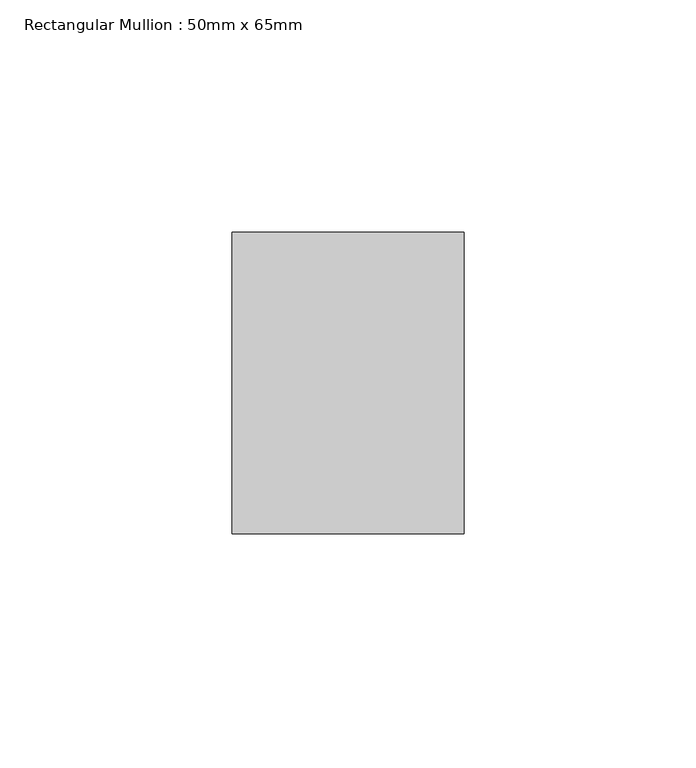
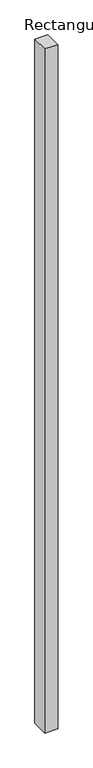
"""IFC4 building model written with IfcOpenShell, lengths in millimetres: member geometry, Rectangular Mullion : 50mm x 65mm."""

from ifc_helpers import new_model, si_unit, frame, origin, place, context, project, spatial, polyline, outline, extrude, source, transform, mapped, element, save


def rectangular_mullion_50mm_x_65mm_4f7393a1(model_context):
    return source(origin(), model_context, "Body", "SweptSolid", [
        extrude(outline(polyline([(25.0, 32.5), (25.0, -32.5), (-25.0, -32.5), (-25.0, 32.5), (25.0, 32.5)])), frame((0.0, 0.0, -2773.8905583), z_axis=(0.0, 0.0, 1.0), x_axis=(1.0, 0.0, 0.0)), (0.0, 0.0, 1.0), 2773.8905583),
    ])


if __name__ == "__main__":
    model = new_model("IFC4")
    model_context = context("Model", 3, world=origin())
    ifc_project = project(units=[si_unit("LENGTHUNIT", "METRE", prefix="MILLI")], contexts=[model_context])
    site = spatial("IfcSite", under=ifc_project)
    building = spatial("IfcBuilding", under=site)
    placement = place(None, origin())
    rectangular_mullion_50mm_x_65mm_shape = rectangular_mullion_50mm_x_65mm_4f7393a1(model_context)
    element("IfcMember", 1, ObjectType="Rectangular Mullion : 50mm x 65mm", at=placement, inside=building, context=model_context, shape_type="MappedRepresentation", body=[
        mapped(rectangular_mullion_50mm_x_65mm_shape, transform((0.0, 0.0, 0.0), x_axis=(1.0, 0.0, 0.0), y_axis=(0.0, 1.0, 0.0), z_axis=(0.0, 0.0, 1.0))),
    ])
    save(model, "model.ifc")
